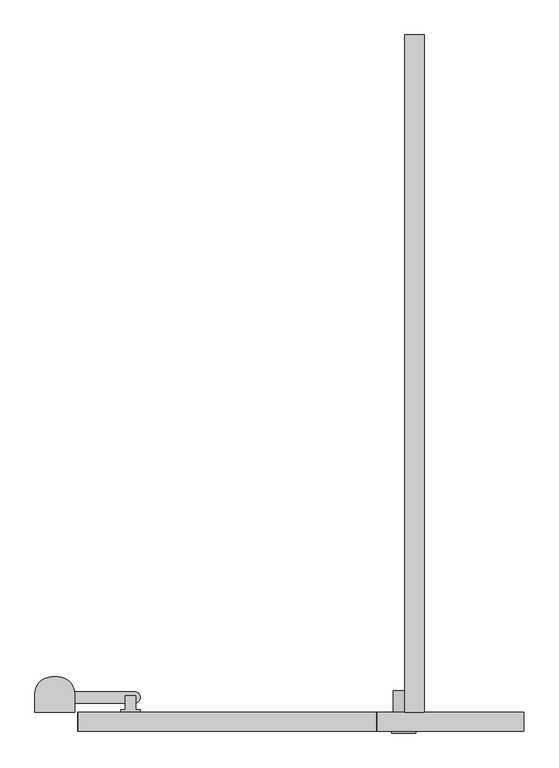
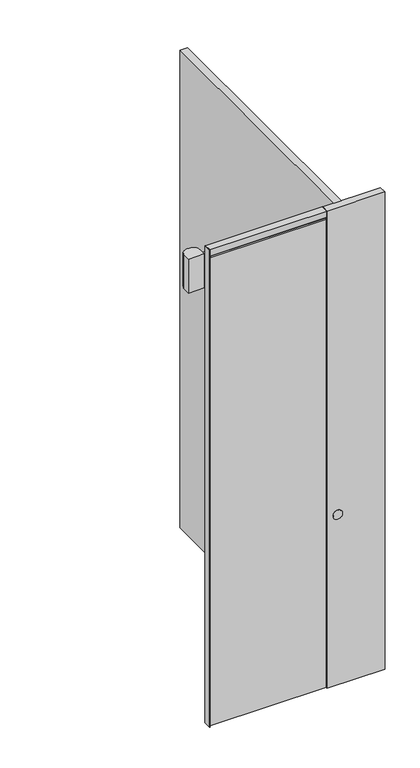
"""IFC4 building model written with IfcOpenShell, lengths in millimetres: proxy geometry."""

from ifc_helpers import new_model, si_unit, point, frame, frame_2d, origin, origin_with_axes, place, context, project, spatial, polyline, circle_curve, trimmed, segment, composite_curve, outline, extrude, source, transform, mapped, element, save


def specialty_equipment_7430bd01(model_context):
    return source(origin(), model_context, "Body", "SweptSolid", [
        extrude(outline(polyline([(-268.312138, 42.0), (-311.312138, 42.0), (-311.312138, 47.0), (-301.312138, 47.0), (-301.312138, 77.9983508), (-278.312138, 77.9983508), (-278.312138, 47.0), (-268.312138, 47.0), (-268.312138, 42.0)])), frame((0.0, 0.0, 2731.5), z_axis=(0.0, 0.0, 1.0), x_axis=(1.0, 0.0, 0.0)), (0.0, 0.0, 1.0), 18.0),
        extrude(outline(composite_curve([segment(trimmed(circle_curve(frame_2d((-448.5, 82.0)), 37.0), [point((-411.5, 82.0))], [point((-411.8393944, 87.0))], True, "CARTESIAN"), True, "CONTINUOUS"), segment(polyline([(-411.8393944, 87.0), (-280.5, 87.0)]), True, "CONTINUOUS"), segment(trimmed(circle_curve(frame_2d((-280.5, 75.0)), 12.0), [point((-280.5, 87.0))], [point((-268.5, 75.0))], False, "CARTESIAN"), True, "CONTINUOUS"), segment(polyline([(-268.5, 75.0), (-268.5, 74.0)]), True, "CONTINUOUS"), segment(trimmed(circle_curve(frame_2d((-280.5, 74.0)), 12.0), [point((-268.5, 74.0))], [point((-280.5, 62.0))], False, "CARTESIAN"), True, "CONTINUOUS"), segment(polyline([(-280.5, 62.0), (-411.5, 62.0), (-411.5, 82.0)]), True, "CONTINUOUS")], self_intersect=False)), frame((0.0, 0.0, 2721.5), z_axis=(0.0, 0.0, 1.0), x_axis=(1.0, 0.0, 0.0)), (0.0, 0.0, 1.0), 10.0),
        extrude(outline(composite_curve([segment(polyline([(-411.5, 42.0), (-498.5, 42.0), (-498.5, 82.0)]), True, "CONTINUOUS"), segment(trimmed(circle_curve(frame_2d((-461.5, 82.0)), 37.0), [point((-498.5, 82.0))], [point((-461.5, 119.0))], False, "CARTESIAN"), True, "CONTINUOUS"), segment(polyline([(-461.5, 119.0), (-448.5, 119.0)]), True, "CONTINUOUS"), segment(trimmed(circle_curve(frame_2d((-448.5, 82.0)), 37.0), [point((-448.5, 119.0))], [point((-411.5, 82.0))], False, "CARTESIAN"), True, "CONTINUOUS"), segment(polyline([(-411.5, 82.0), (-411.5, 42.0)]), True, "CONTINUOUS")], self_intersect=False)), frame((0.0, 0.0, 2554.5), z_axis=(0.0, 0.0, 1.0), x_axis=(1.0, 0.0, 0.0)), (0.0, 0.0, 1.0), 200.0),
        extrude(outline(polyline([(246.0, 0.0), (-404.0, 0.0), (-404.0, 42.0), (246.0, 42.0), (246.0, 0.0)])), frame((0.0, 0.0, 2762.0), z_axis=(0.0, 0.0, 1.0), x_axis=(1.0, 0.0, 0.0)), (0.0, 0.0, 1.0), 1.3),
        extrude(outline(polyline([(246.0, 0.0), (-404.0, 0.0), (-404.0, 42.0), (246.0, 42.0), (246.0, 0.0)])), frame((0.0, 0.0, 2763.3), z_axis=(0.0, 0.0, 1.0), x_axis=(1.0, 0.0, 0.0)), (0.0, 0.0, 1.0), 36.7),
        extrude(outline(polyline([(-402.7, 42.0), (-402.7, 0.0), (-404.0, 0.0), (-404.0, 42.0), (-402.7, 42.0)])), frame((0.0, 0.0, 7.5), z_axis=(0.0, 0.0, 1.0), x_axis=(1.0, 0.0, 0.0)), (0.0, 0.0, 1.0), 2747.0),
        extrude(outline(polyline([(244.7, 42.0), (246.0, 42.0), (246.0, 0.0), (244.7, 0.0), (244.7, 42.0)])), frame((0.0, 0.0, 7.5), z_axis=(0.0, 0.0, 1.0), x_axis=(1.0, 0.0, 0.0)), (0.0, 0.0, 1.0), 2747.0),
        extrude(outline(polyline([(244.7, 42.0), (244.7, 0.0), (-402.7, 0.0), (-402.7, 42.0), (244.7, 42.0)])), frame((0.0, 0.0, 7.5), z_axis=(0.0, 0.0, 1.0), x_axis=(1.0, 0.0, 0.0)), (0.0, 0.0, 1.0), 2747.0),
        extrude(outline(polyline([(-405.3, 42.0), (-404.0, 42.0), (-404.0, 0.0), (-405.3, 0.0), (-405.3, 42.0)])), origin_with_axes(), (0.0, 0.0, 1.0), 2800.0),
        extrude(outline(polyline([(247.3, 42.0), (247.3, 0.0), (246.0, 0.0), (246.0, 42.0), (247.3, 42.0)])), origin_with_axes(), (0.0, 0.0, 1.0), 2800.0),
        extrude(outline(composite_curve([segment(trimmed(circle_curve(frame_2d((1000.0, 306.0)), 22.5), [point((1000.0, 283.5))], [point((1000.0, 328.5))], False, "CARTESIAN"), True, "CONTINUOUS"), segment(trimmed(circle_curve(frame_2d((1000.0, 306.0)), 22.5), [point((1000.0, 328.5))], [point((1000.0, 283.5))], False, "CARTESIAN"), True, "CONTINUOUS")], self_intersect=False)), frame((0.0, 42.0, 0.0), z_axis=(0.0, 1.0, 0.0), x_axis=(0.0, 0.0, 1.0)), (0.0, 0.0, 1.0), 47.0),
        extrude(outline(composite_curve([segment(trimmed(circle_curve(frame_2d((1000.0, 306.0)), 26.0), [point((1000.0, 280.0))], [point((1000.0, 332.0))], False, "CARTESIAN"), True, "CONTINUOUS"), segment(trimmed(circle_curve(frame_2d((1000.0, 306.0)), 26.0), [point((1000.0, 332.0))], [point((1000.0, 280.0))], False, "CARTESIAN"), True, "CONTINUOUS")], self_intersect=False)), frame((0.0, -3.0, 0.0), z_axis=(0.0, 1.0, 0.0), x_axis=(0.0, 0.0, 1.0)), (0.0, 0.0, 1.0), 3.0),
        extrude(outline(polyline([(309.0, 42.0), (309.0, 1520.0), (351.0, 1520.0), (351.0, 42.0), (309.0, 42.0)])), origin_with_axes(), (0.0, 0.0, 1.0), 2800.0),
        extrude(outline(polyline([(568.0, 0.0), (247.3, 0.0), (247.3, 42.0), (568.0, 42.0), (568.0, 0.0)])), origin_with_axes(), (0.0, 0.0, 1.0), 2800.0),
    ])


if __name__ == "__main__":
    model = new_model("IFC4")
    model_context = context("Model", 3, world=origin())
    ifc_project = project(units=[si_unit("LENGTHUNIT", "METRE", prefix="MILLI")], contexts=[model_context])
    site = spatial("IfcSite", under=ifc_project)
    building = spatial("IfcBuilding", under=site)
    placement = place(None, origin())
    specialty_equipment_shape = specialty_equipment_7430bd01(model_context)
    element("IfcBuildingElementProxy", 1, Name="Specialty Equipment", at=placement, inside=building, context=model_context, shape_type="MappedRepresentation", body=[
        mapped(specialty_equipment_shape, transform((0.0, 0.0, 0.0), x_axis=(1.0, 0.0, 0.0), y_axis=(0.0, 1.0, 0.0), z_axis=(0.0, 0.0, 1.0))),
    ])
    save(model, "model.ifc")
